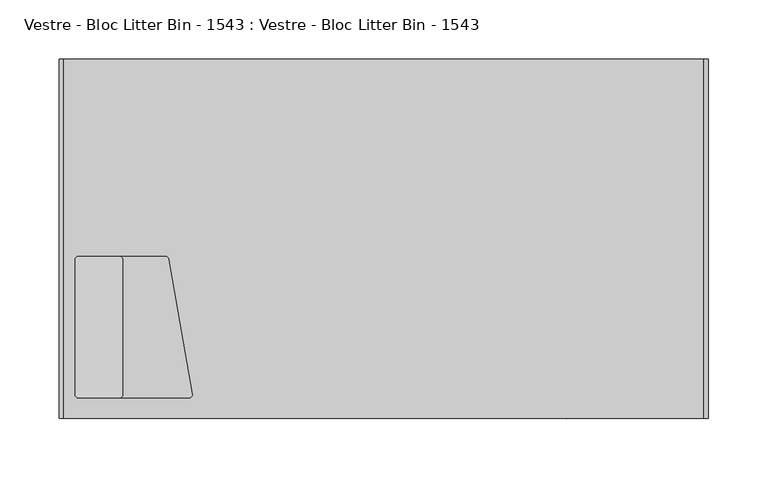
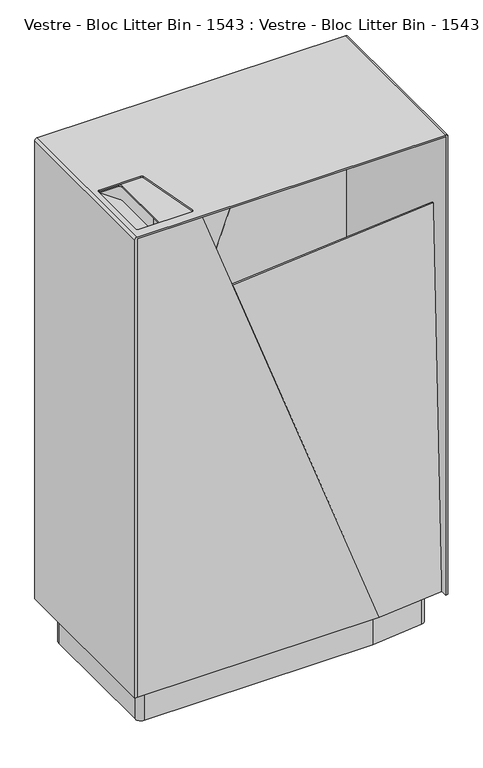
"""IFC4 building model written with IfcOpenShell, lengths in millimetres: furniture geometry, Vestre - Bloc Litter Bin - 1543 : Vestre - Bloc Litter Bin - 1543."""

from ifc_helpers import new_model, si_unit, point, frame, frame_2d, origin, origin_with_axes, place, context, project, spatial, polyline, circle_curve, trimmed, segment, composite_curve, outline, extrude, source, transform, mapped, element, save
from ifc_brep_helpers import plane_surface, cylinder_surface, revolved_surface, advanced_brep


def vestre_bloc_litter_bin_1543_vestre_bloc_litter_bin_1543_550330a8(model_context):
    return source(origin(), model_context, "Body", "SolidModel", [
        extrude(outline(polyline([(-270.5, 137.7565535), (-154.897871, 149.1740758), (271.5, 149.1740758), (271.5, -137.6577879), (154.897871, -149.1740758), (-270.5, -149.1740758), (-270.5, 137.7565535)])), frame((0.0, 0.0, 65.0), z_axis=(0.0, 0.0, 1.0), x_axis=(1.0, 0.0, 0.0)), (0.0, 0.0, 1.0), 9.9592479),
        extrude(outline(composite_curve([segment(trimmed(circle_curve(frame_2d((114.0058046, -2.9581604)), 2.9581605), [point((114.0058046, 0.0))], [point((116.9639651, -2.9581604))], False, "CARTESIAN"), True, "CONTINUOUS"), segment(polyline([(116.9639651, -2.9581604), (116.9639651, -51.8649154), (-3.0360349, -51.8649154), (-3.0360349, -3.0372074)]), True, "CONTINUOUS"), segment(trimmed(circle_curve(frame_2d((0.0011726, -3.0372074)), 3.0372075), [point((-3.0360349, -3.0372074))], [point((0.0011726, 0.0))], False, "CARTESIAN"), True, "CONTINUOUS"), segment(polyline([(0.0011726, 0.0), (114.0058046, 0.0)]), True, "CONTINUOUS")], self_intersect=False)), frame((-219.7614191, -18.0360349, 885.2035483), z_axis=(0.5735764363510215, 0.0, 0.8191520442890091), x_axis=(0.0, -1.0, 0.0)), (0.0, 0.0, 1.0), 2.1735038),
        extrude(outline(polyline([(-264.4052107, -9.0), (-159.2634, -9.0), (-159.2634, -145.0), (-264.4052107, -145.0), (-264.4052107, -9.0)]), holes=[composite_curve([segment(polyline([(-220.5142172, -132.0045908), (-220.5142172, -18.0360349)]), True, "CONTINUOUS"), segment(trimmed(circle_curve(frame_2d((-223.5502521, -18.0360349)), 3.0360349), [point((-220.5142172, -18.0360349))], [point((-223.5502521, -15.0))], True, "CARTESIAN"), True, "CONTINUOUS"), segment(polyline([(-223.5502521, -15.0), (-257.9988658, -15.0)]), True, "CONTINUOUS"), segment(trimmed(circle_curve(frame_2d((-257.9988658, -18.0011342)), 3.0011342), [point((-257.9988658, -15.0))], [point((-261.0, -18.0011342))], True, "CARTESIAN"), True, "CONTINUOUS"), segment(polyline([(-261.0, -18.0011342), (-261.0, -131.9987029)]), True, "CONTINUOUS"), segment(trimmed(circle_curve(frame_2d((-257.9987029, -131.9987029)), 3.0012971), [point((-261.0, -131.9987029))], [point((-257.9987029, -135.0))], True, "CARTESIAN"), True, "CONTINUOUS"), segment(polyline([(-257.9987029, -135.0), (-223.5096264, -135.0)]), True, "CONTINUOUS"), segment(trimmed(circle_curve(frame_2d((-223.5096264, -132.0045908)), 2.9954092), [point((-223.5096264, -135.0))], [point((-220.5142172, -132.0045908))], True, "CARTESIAN"), True, "CONTINUOUS")], self_intersect=False)]), frame((0.0, 0.0, 914.8264962), z_axis=(0.0, 0.0, 1.0), x_axis=(1.0, 0.0, 0.0)), (0.0, 0.0, 1.0), 2.1735038),
        advanced_brep(
        [(-161.2634, -147.0, 782.7332002), (-157.2634, -147.0, 786.7332002), (-157.2634, -147.0, 917.0), (-266.4052107, -147.0, 917.0), (-266.4052107, -147.0, 782.7332002), (-161.2634, -7.0, 782.7332002), (-266.4052107, -7.0, 782.7332002), (-266.4052107, -7.0, 917.0), (-157.2634, -7.0, 917.0), (-157.2634, -7.0, 786.7332002), (-264.4052107, -145.0, 917.0), (-264.4052107, -9.0, 917.0), (-159.2634, -9.0, 917.0), (-159.2634, -145.0, 917.0), (-264.4052107, -9.0, 784.7332002), (-264.4052107, -145.0, 784.7332002), (-159.2634, -145.0, 784.7332002), (-159.2634, -9.0, 784.7332002)],
        [
            (0, 1, circle_curve(frame((-161.2634, -147.0, 786.7332002), z_axis=(0.0, -1.0, 0.0), x_axis=(1.0, 0.0, 0.0)), 4.0)),
            (1, 2),
            (2, 3),
            (3, 4),
            (4, 0),
            (5, 6),
            (6, 7),
            (7, 8),
            (8, 9),
            (9, 5, circle_curve(frame((-161.2634, -7.0, 786.7332002), z_axis=(0.0, 1.0, 0.0), x_axis=(1.0, 0.0, 0.0)), 4.0)),
            (0, 5),
            (9, 1),
            (8, 2),
            (7, 3),
            (10, 11),
            (11, 12),
            (12, 13),
            (13, 10),
            (6, 4),
            (14, 15),
            (15, 16),
            (16, 17),
            (17, 14),
            (14, 11),
            (10, 15),
            (13, 16),
            (12, 17),
        ],
        [
            plane_surface(frame((-157.2634, -147.0, 786.7332002), z_axis=(0.0, -1.0, 0.0), x_axis=(0.0, 0.0, 1.0))),
            plane_surface(frame((-157.2634, -7.0, 786.7332002), z_axis=(0.0, 1.0, 0.0), x_axis=(0.0, 0.0, -1.0))),
            cylinder_surface(frame((-161.2634, -7.0, 786.7332002), z_axis=(0.0, -1.0, 0.0), x_axis=(1.0, 0.0, 0.0)), 4.0),
            plane_surface(frame((-157.2634, -147.0, 786.7332002), z_axis=(1.0, 0.0, 0.0), x_axis=(0.0, 1.0, 0.0))),
            plane_surface(frame((-157.2634, -147.0, 917.0), z_axis=(0.0, 0.0, 1.0), x_axis=(0.0, 1.0, 0.0))),
            plane_surface(frame((-266.4052107, -147.0, 917.0), z_axis=(-1.0, 0.0, 0.0), x_axis=(0.0, 1.0, 0.0))),
            plane_surface(frame((-266.4052107, -147.0, 782.7332002), z_axis=(0.0, 0.0, -1.0), x_axis=(0.0, 1.0, 0.0))),
            plane_surface(frame((-264.4052107, -9.0, 784.7332002), z_axis=(0.0, 0.0, 1.0), x_axis=(0.0, 1.0, 0.0))),
            plane_surface(frame((-264.4052107, -9.0, 917.0), z_axis=(1.0, 0.0, 0.0), x_axis=(0.0, 0.0, -1.0))),
            plane_surface(frame((-264.4052107, -145.0, 917.0), z_axis=(0.0, 1.0, 0.0), x_axis=(0.0, 0.0, -1.0))),
            plane_surface(frame((-159.2634, -145.0, 917.0), z_axis=(-1.0, 0.0, 0.0), x_axis=(0.0, 0.0, -1.0))),
            plane_surface(frame((-159.2634, -9.0, 917.0), z_axis=(0.0, -1.0, 0.0), x_axis=(0.0, 0.0, -1.0))),
        ],
        [
            (0, [[1, 2, 3, 4, 5]]),
            (1, [[6, 7, 8, 9, 10]]),
            (2, [[-1, 11, -10, 12]]),
            (3, [[-2, -12, -9, 13]]),
            (4, [[-3, -13, -8, 14], [15, 16, 17, 18]]),
            (5, [[-4, -14, -7, 19]]),
            (6, [[-5, -19, -6, -11]]),
            (7, [[20, 21, 22, 23]]),
            (8, [[-20, 24, -15, 25]]),
            (9, [[-21, -25, -18, 26]]),
            (10, [[-22, -26, -17, 27]]),
            (11, [[-23, -27, -16, -24]]),
        ],
    ),
        advanced_brep(
        [(-270.5, -152.25, 65.0), (-270.5, -152.25, 917.0), (271.5, -152.25, 917.0), (271.5, -152.25, 65.0), (275.5, -152.25, 65.0), (275.5, -152.25, 916.0), (271.5, -152.25, 920.0), (-270.4822768, -152.25, 920.0), (-274.5, -152.25, 915.9822768), (-274.5, -152.25, 65.0), (-270.5, 152.25, 65.0), (-274.5, 152.25, 65.0), (-274.5, 152.25, 915.9822768), (-270.4822768, 152.25, 920.0), (271.5, 152.25, 920.0), (275.5, 152.25, 916.0), (275.5, 152.25, 65.0), (271.5, 152.25, 65.0), (271.5, 152.25, 917.0), (-270.5, 152.25, 917.0), (-161.6195281, -131.4864815, 917.0), (-181.7269288, -17.4517453, 917.0), (-184.6488051, -15.0, 917.0), (-258.0026011, -15.0, 917.0), (-261.0, -17.9973989, 917.0), (-261.0, -131.9593857, 917.0), (-257.9593857, -135.0, 917.0), (-164.5677202, -135.0, 917.0), (-181.7269288, -17.4517453, 920.0), (-161.6195281, -131.4864815, 920.0), (-164.5677202, -135.0, 920.0), (-257.9593857, -135.0, 920.0), (-261.0, -131.9593857, 920.0), (-261.0, -17.9973989, 920.0), (-258.0026011, -15.0, 920.0), (-184.6488051, -15.0, 920.0)],
        [
            (0, 1),
            (1, 2),
            (2, 3),
            (3, 4),
            (4, 5),
            (5, 6, circle_curve(frame((271.5, -152.25, 916.0), z_axis=(0.0, -1.0, 0.0), x_axis=(1.0, 0.0, 0.0)), 4.0)),
            (6, 7),
            (7, 8, circle_curve(frame((-270.4822768, -152.25, 915.9822768), z_axis=(0.0, -1.0, 0.0), x_axis=(1.0, 0.0, 0.0)), 4.0177232)),
            (8, 9),
            (9, 0),
            (10, 11),
            (11, 12),
            (12, 13, circle_curve(frame((-270.4822768, 152.25, 915.9822768), z_axis=(0.0, 1.0, 0.0), x_axis=(1.0, 0.0, 0.0)), 4.0177232)),
            (13, 14),
            (14, 15, circle_curve(frame((271.5, 152.25, 916.0), z_axis=(0.0, 1.0, 0.0), x_axis=(1.0, 0.0, 0.0)), 4.0)),
            (15, 16),
            (16, 17),
            (17, 18),
            (18, 19),
            (19, 10),
            (0, 10),
            (19, 1),
            (18, 2),
            (20, 21),
            (21, 22, circle_curve(frame((-184.6488051, -17.9669509, 917.0), z_axis=(0.0, 0.0, 1.0), x_axis=(1.0, 0.0, 0.0)), 2.9669509)),
            (22, 23),
            (23, 24, circle_curve(frame((-258.0026011, -17.9973989, 917.0), z_axis=(0.0, 0.0, 1.0), x_axis=(1.0, 0.0, 0.0)), 2.9973989)),
            (24, 25),
            (25, 26, circle_curve(frame((-257.9593857, -131.9593857, 917.0), z_axis=(0.0, 0.0, 1.0), x_axis=(1.0, 0.0, 0.0)), 3.0406143)),
            (26, 27),
            (27, 20, circle_curve(frame((-164.5677202, -132.0063273, 917.0), z_axis=(0.0, 0.0, 1.0), x_axis=(1.0, 0.0, 0.0)), 2.9936727)),
            (17, 3),
            (16, 4),
            (15, 5),
            (14, 6),
            (13, 7),
            (28, 29),
            (29, 30, circle_curve(frame((-164.5677202, -132.0063273, 920.0), z_axis=(0.0, 0.0, -1.0), x_axis=(1.0, 0.0, 0.0)), 2.9936727)),
            (30, 31),
            (31, 32, circle_curve(frame((-257.9593857, -131.9593857, 920.0), z_axis=(0.0, 0.0, -1.0), x_axis=(1.0, 0.0, 0.0)), 3.0406143)),
            (32, 33),
            (33, 34, circle_curve(frame((-258.0026011, -17.9973989, 920.0), z_axis=(0.0, 0.0, -1.0), x_axis=(1.0, 0.0, 0.0)), 2.9973989)),
            (34, 35),
            (35, 28, circle_curve(frame((-184.6488051, -17.9669509, 920.0), z_axis=(0.0, 0.0, -1.0), x_axis=(1.0, 0.0, 0.0)), 2.9669509)),
            (12, 8),
            (11, 9),
            (20, 29),
            (28, 21),
            (35, 22),
            (34, 23),
            (33, 24),
            (32, 25),
            (31, 26),
            (30, 27),
        ],
        [
            plane_surface(frame((-270.5, -152.25, 65.0), z_axis=(0.0, -1.0, 0.0), x_axis=(0.0, 0.0, 1.0))),
            plane_surface(frame((-270.5, 152.25, 65.0), z_axis=(0.0, 1.0, 0.0), x_axis=(0.0, 0.0, -1.0))),
            plane_surface(frame((-270.5, -152.25, 65.0), z_axis=(1.0, 0.0, 0.0), x_axis=(0.0, 1.0, 0.0))),
            plane_surface(frame((-270.5, -152.25, 917.0), z_axis=(0.0, 0.0, -1.0), x_axis=(0.0, 1.0, 0.0))),
            plane_surface(frame((271.5, -152.25, 917.0), z_axis=(-1.0, 0.0, 0.0), x_axis=(0.0, 1.0, 0.0))),
            plane_surface(frame((271.5, -152.25, 65.0), z_axis=(0.0, 0.0, -1.0), x_axis=(0.0, 1.0, 0.0))),
            plane_surface(frame((275.5, -152.25, 65.0), z_axis=(1.0, 0.0, 0.0), x_axis=(0.0, 1.0, 0.0))),
            cylinder_surface(frame((271.5, 152.25, 916.0), z_axis=(0.0, -1.0, 0.0), x_axis=(1.0, 0.0, 0.0)), 4.0),
            plane_surface(frame((271.5, -152.25, 920.0), z_axis=(0.0, 0.0, 1.0), x_axis=(0.0, 1.0, 0.0))),
            cylinder_surface(frame((-270.4822768, 152.25, 915.9822768), z_axis=(0.0, -1.0, 0.0), x_axis=(1.0, 0.0, 0.0)), 4.0177232),
            plane_surface(frame((-274.5, -152.25, 915.9822768), z_axis=(-1.0, 0.0, 0.0), x_axis=(0.0, 1.0, 0.0))),
            plane_surface(frame((-274.5, -152.25, 65.0), z_axis=(0.0, 0.0, -1.0), x_axis=(0.0, 1.0, 0.0))),
            plane_surface(frame((-161.6195281, -131.4864815, 924.306689), z_axis=(-0.9848077530122034, -0.17364817766695756, 0.0), x_axis=(0.0, 0.0, -1.0))),
            revolved_surface(polyline([(-181.6818542, -17.9669509, 920.0), (-181.6818542, -17.9669509, 917.0)]), (-184.6488051, -17.9669509, 917.0), (0.0, 0.0, 1.0)),
            plane_surface(frame((-184.6488051, -15.0, 924.306689), z_axis=(0.0, -1.0, 0.0), x_axis=(0.0, 0.0, -1.0))),
            revolved_surface(polyline([(-255.00520219999999, -17.9973989, 920.0), (-255.00520219999999, -17.9973989, 917.0)]), (-258.0026011, -17.9973989, 917.0), (0.0, 0.0, 1.0)),
            plane_surface(frame((-261.0, -17.9973989, 924.306689), z_axis=(1.0, 0.0, 0.0), x_axis=(0.0, 0.0, -1.0))),
            revolved_surface(polyline([(-254.9187714, -131.9593857, 920.0), (-254.9187714, -131.9593857, 917.0)]), (-257.9593857, -131.9593857, 917.0), (0.0, 0.0, 1.0)),
            plane_surface(frame((-257.9593857, -135.0, 924.306689), z_axis=(0.0, 1.0, 0.0), x_axis=(0.0, 0.0, -1.0))),
            revolved_surface(polyline([(-161.5740475, -132.0063273, 920.0), (-161.5740475, -132.0063273, 917.0)]), (-164.5677202, -132.0063273, 917.0), (0.0, 0.0, 1.0)),
        ],
        [
            (0, [[1, 2, 3, 4, 5, 6, 7, 8, 9, 10]]),
            (1, [[11, 12, 13, 14, 15, 16, 17, 18, 19, 20]]),
            (2, [[-1, 21, -20, 22]]),
            (3, [[-2, -22, -19, 23], [24, 25, 26, 27, 28, 29, 30, 31]]),
            (4, [[-3, -23, -18, 32]]),
            (5, [[-4, -32, -17, 33]]),
            (6, [[-5, -33, -16, 34]]),
            (7, [[-6, -34, -15, 35]]),
            (8, [[-7, -35, -14, 36], [37, 38, 39, 40, 41, 42, 43, 44]]),
            (9, [[-8, -36, -13, 45]]),
            (10, [[-9, -45, -12, 46]]),
            (11, [[-10, -46, -11, -21]]),
            (12, [[47, -37, 48, -24]]),
            (13, [[-48, -44, 49, -25]]),
            (14, [[-49, -43, 50, -26]]),
            (15, [[-50, -42, 51, -27]]),
            (16, [[-51, -41, 52, -28]]),
            (17, [[-52, -40, 53, -29]]),
            (18, [[-53, -39, 54, -30]]),
            (19, [[-47, -31, -54, -38]]),
        ],
    ),
        extrude(outline(composite_curve([segment(polyline([(-255.5, -119.75), (-255.5, 112.735536)]), True, "CONTINUOUS"), segment(trimmed(circle_curve(frame_2d((-245.5, 112.735536)), 10.0), [point((-255.5, 112.735536))], [point((-246.5452846, 122.680755))], False, "CARTESIAN"), True, "CONTINUOUS"), segment(polyline([(-246.5452846, 122.680755), (-155.5, 132.25), (246.5, 132.25)]), True, "CONTINUOUS"), segment(trimmed(circle_curve(frame_2d((246.5, 122.25)), 10.0), [point((246.5, 132.25))], [point((256.5, 122.25))], False, "CARTESIAN"), True, "CONTINUOUS"), segment(polyline([(256.5, 122.25), (256.5, -110.235536)]), True, "CONTINUOUS"), segment(trimmed(circle_curve(frame_2d((246.5, -110.235536)), 10.0), [point((256.5, -110.235536))], [point((247.5452846, -120.180755))], False, "CARTESIAN"), True, "CONTINUOUS"), segment(polyline([(247.5452846, -120.180755), (156.5, -129.75), (-245.5, -129.75)]), True, "CONTINUOUS"), segment(trimmed(circle_curve(frame_2d((-245.5, -119.75)), 10.0), [point((-245.5, -129.75))], [point((-255.5, -119.75))], False, "CARTESIAN"), True, "CONTINUOUS")], self_intersect=False)), origin_with_axes(), (0.0, 0.0, 1.0), 65.0745777),
        extrude(outline(polyline([(64.9997248, 271.5), (917.0, 271.5), (917.0, 155.9), (65.1171498, -155.1991527), (64.9997248, 271.5)])), frame((0.0, 149.25, 0.0), z_axis=(0.0, 1.0, 0.0), x_axis=(0.0, 0.0, 1.0)), (0.0, 0.0, 1.0), 3.0),
        extrude(outline(polyline([(752.3104603, 0.0), (623.7538599, -354.611758), (-40.247271, -110.7971063), (-0.0070612, 1e-07), (752.3104603, 0.0)])), frame((-154.8954489, 149.1740765, 65.0066328), z_axis=(-0.09822462559456396, 0.9945218953682895, 0.035750839988354696), x_axis=(0.34302093272528006, 0.00011195982877926703, 0.9393277527983913)), (0.0, 0.0, 1.0), 3.0),
        extrude(outline(polyline([(752.3104603, 0.0), (623.7538599, -354.611758), (-40.247271, -110.7971063), (-0.0070612, 1e-07), (752.3104603, 0.0)])), frame((154.8954489, -149.1740765, 65.0066328), z_axis=(0.09822462559456396, -0.9945218953682895, 0.03575083998835469), x_axis=(-0.34302093272527995, -0.00011195982877926014, 0.9393277527983913)), (0.0, 0.0, 1.0), 3.0),
        extrude(outline(polyline([(65.0, -270.5), (65.1171498, 155.1991527), (917.0, -155.9), (917.0, -270.5), (65.0, -270.5)])), frame((0.0, -152.25, 0.0), z_axis=(0.0, 1.0, 0.0), x_axis=(0.0, 0.0, 1.0)), (0.0, 0.0, 1.0), 3.0),
    ])


if __name__ == "__main__":
    model = new_model("IFC4")
    model_context = context("Model", 3, world=origin())
    ifc_project = project(units=[si_unit("LENGTHUNIT", "METRE", prefix="MILLI")], contexts=[model_context])
    site = spatial("IfcSite", under=ifc_project)
    building = spatial("IfcBuilding", under=site)
    placement = place(None, origin())
    vestre_bloc_litter_bin_1543_vestre_bloc_litter_bin_1543_shape = vestre_bloc_litter_bin_1543_vestre_bloc_litter_bin_1543_550330a8(model_context)
    element("IfcFurniture", 1, ObjectType="Vestre - Bloc Litter Bin - 1543 : Vestre - Bloc Litter Bin - 1543", at=placement, inside=building, context=model_context, shape_type="MappedRepresentation", body=[
        mapped(vestre_bloc_litter_bin_1543_vestre_bloc_litter_bin_1543_shape, transform((0.0, 0.0, 0.0), x_axis=(1.0, 0.0, 0.0), y_axis=(0.0, 1.0, 0.0), z_axis=(0.0, 0.0, 1.0))),
    ])
    save(model, "model.ifc")
